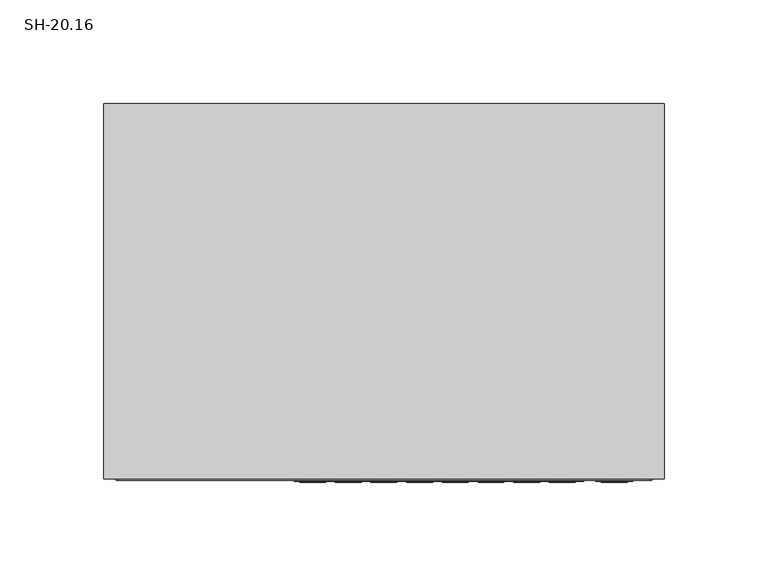
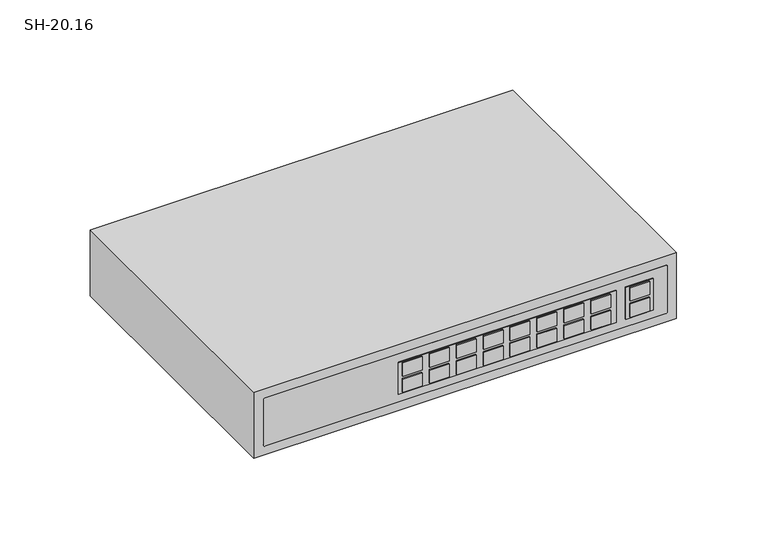
"""IFC4 building model written with IfcOpenShell, lengths in millimetres: proxy geometry, SH-20.16."""

from ifc_helpers import new_model, si_unit, point, frame, frame_2d, origin, place, context, project, spatial, polyline, circle_curve, trimmed, segment, composite_curve, outline, extrude, source, transform, mapped, element, save


def sh_20_16_5c3c0c6e(model_context):
    return source(origin(), model_context, "Body", "SweptSolid", [
        extrude(outline(polyline([(135.0, 0.0), (135.0, -181.0), (-135.0, -181.0), (-135.0, 0.0), (135.0, 0.0)])), frame((0.0, 0.0, 1000.0), z_axis=(0.0, 0.0, 1.0), x_axis=(1.0, 0.0, 0.0)), (0.0, 0.0, 1.0), 44.5),
        extrude(outline(polyline([(117.0807773, -182.5), (104.6040851, -182.5), (104.6040851, -181.0), (117.0807773, -181.0), (117.0807773, -182.5)])), frame((0.0, 0.0, 1012.2700087), z_axis=(0.0, 0.0, 1.0), x_axis=(1.0, 0.0, 0.0)), (0.0, 0.0, 1.0), 9.0),
        extrude(outline(polyline([(117.0807773, -182.5), (104.6040851, -182.5), (104.6040851, -181.0), (117.0807773, -181.0), (117.0807773, -182.5)])), frame((0.0, 0.0, 1023.1817061), z_axis=(0.0, 0.0, 1.0), x_axis=(1.0, 0.0, 0.0)), (0.0, 0.0, 1.0), 9.0),
        extrude(outline(polyline([(119.7502735, -182.0), (102.1202527, -182.0), (102.1202527, -181.0), (119.7502735, -181.0), (119.7502735, -182.0)])), frame((0.0, 0.0, 1011.5), z_axis=(0.0, 0.0, 1.0), x_axis=(1.0, 0.0, 0.0)), (0.0, 0.0, 1.0), 21.4517148),
        extrude(outline(polyline([(92.1675041, -182.5), (79.6908119, -182.5), (79.6908119, -181.0), (92.1675041, -181.0), (92.1675041, -182.5)])), frame((0.0, 0.0, 1012.2700087), z_axis=(0.0, 0.0, 1.0), x_axis=(1.0, 0.0, 0.0)), (0.0, 0.0, 1.0), 9.0),
        extrude(outline(polyline([(92.1675041, -182.5), (79.6908119, -182.5), (79.6908119, -181.0), (92.1675041, -181.0), (92.1675041, -182.5)])), frame((0.0, 0.0, 1023.1817061), z_axis=(0.0, 0.0, 1.0), x_axis=(1.0, 0.0, 0.0)), (0.0, 0.0, 1.0), 9.0),
        extrude(outline(polyline([(74.9756027, -182.5), (62.4989104, -182.5), (62.4989104, -181.0), (74.9756027, -181.0), (74.9756027, -182.5)])), frame((0.0, 0.0, 1012.2700087), z_axis=(0.0, 0.0, 1.0), x_axis=(1.0, 0.0, 0.0)), (0.0, 0.0, 1.0), 9.0),
        extrude(outline(polyline([(74.9756027, -182.5), (62.4989104, -182.5), (62.4989104, -181.0), (74.9756027, -181.0), (74.9756027, -182.5)])), frame((0.0, 0.0, 1023.1817061), z_axis=(0.0, 0.0, 1.0), x_axis=(1.0, 0.0, 0.0)), (0.0, 0.0, 1.0), 9.0),
        extrude(outline(polyline([(57.7837012, -182.5), (45.307009, -182.5), (45.307009, -181.0), (57.7837012, -181.0), (57.7837012, -182.5)])), frame((0.0, 0.0, 1012.2700087), z_axis=(0.0, 0.0, 1.0), x_axis=(1.0, 0.0, 0.0)), (0.0, 0.0, 1.0), 9.0),
        extrude(outline(polyline([(57.7837012, -182.5), (45.307009, -182.5), (45.307009, -181.0), (57.7837012, -181.0), (57.7837012, -182.5)])), frame((0.0, 0.0, 1023.1817061), z_axis=(0.0, 0.0, 1.0), x_axis=(1.0, 0.0, 0.0)), (0.0, 0.0, 1.0), 9.0),
        extrude(outline(polyline([(40.5917998, -182.5), (28.1151075, -182.5), (28.1151075, -181.0), (40.5917998, -181.0), (40.5917998, -182.5)])), frame((0.0, 0.0, 1012.2700087), z_axis=(0.0, 0.0, 1.0), x_axis=(1.0, 0.0, 0.0)), (0.0, 0.0, 1.0), 9.0),
        extrude(outline(polyline([(40.5917998, -182.5), (28.1151075, -182.5), (28.1151075, -181.0), (40.5917998, -181.0), (40.5917998, -182.5)])), frame((0.0, 0.0, 1023.1817061), z_axis=(0.0, 0.0, 1.0), x_axis=(1.0, 0.0, 0.0)), (0.0, 0.0, 1.0), 9.0),
        extrude(outline(polyline([(23.3998983, -182.5), (10.9232061, -182.5), (10.9232061, -181.0), (23.3998983, -181.0), (23.3998983, -182.5)])), frame((0.0, 0.0, 1012.2700087), z_axis=(0.0, 0.0, 1.0), x_axis=(1.0, 0.0, 0.0)), (0.0, 0.0, 1.0), 9.0),
        extrude(outline(polyline([(23.3998983, -182.5), (10.9232061, -182.5), (10.9232061, -181.0), (23.3998983, -181.0), (23.3998983, -182.5)])), frame((0.0, 0.0, 1023.1817061), z_axis=(0.0, 0.0, 1.0), x_axis=(1.0, 0.0, 0.0)), (0.0, 0.0, 1.0), 9.0),
        extrude(outline(polyline([(6.2079969, -182.5), (-6.2686954, -182.5), (-6.2686954, -181.0), (6.2079969, -181.0), (6.2079969, -182.5)])), frame((0.0, 0.0, 1012.2700087), z_axis=(0.0, 0.0, 1.0), x_axis=(1.0, 0.0, 0.0)), (0.0, 0.0, 1.0), 9.0),
        extrude(outline(polyline([(6.2079969, -182.5), (-6.2686954, -182.5), (-6.2686954, -181.0), (6.2079969, -181.0), (6.2079969, -182.5)])), frame((0.0, 0.0, 1023.1817061), z_axis=(0.0, 0.0, 1.0), x_axis=(1.0, 0.0, 0.0)), (0.0, 0.0, 1.0), 9.0),
        extrude(outline(polyline([(-10.9839046, -182.5), (-23.4605968, -182.5), (-23.4605968, -181.0), (-10.9839046, -181.0), (-10.9839046, -182.5)])), frame((0.0, 0.0, 1012.2700087), z_axis=(0.0, 0.0, 1.0), x_axis=(1.0, 0.0, 0.0)), (0.0, 0.0, 1.0), 9.0),
        extrude(outline(polyline([(-10.9839046, -182.5), (-23.4605968, -182.5), (-23.4605968, -181.0), (-10.9839046, -181.0), (-10.9839046, -182.5)])), frame((0.0, 0.0, 1023.1817061), z_axis=(0.0, 0.0, 1.0), x_axis=(1.0, 0.0, 0.0)), (0.0, 0.0, 1.0), 9.0),
        extrude(outline(polyline([(-28.175806, -182.5), (-40.6524983, -182.5), (-40.6524983, -181.0), (-28.175806, -181.0), (-28.175806, -182.5)])), frame((0.0, 0.0, 1012.2700087), z_axis=(0.0, 0.0, 1.0), x_axis=(1.0, 0.0, 0.0)), (0.0, 0.0, 1.0), 9.0),
        extrude(outline(polyline([(-28.175806, -182.5), (-40.6524983, -182.5), (-40.6524983, -181.0), (-28.175806, -181.0), (-28.175806, -182.5)])), frame((0.0, 0.0, 1023.1817061), z_axis=(0.0, 0.0, 1.0), x_axis=(1.0, 0.0, 0.0)), (0.0, 0.0, 1.0), 9.0),
        extrude(outline(polyline([(96.1279254, -182.0), (-43.1363307, -182.0), (-43.1363307, -181.0), (96.1279254, -181.0), (96.1279254, -182.0)])), frame((0.0, 0.0, 1011.5), z_axis=(0.0, 0.0, 1.0), x_axis=(1.0, 0.0, 0.0)), (0.0, 0.0, 1.0), 21.4517148),
        extrude(outline(composite_curve([segment(polyline([(1038.5, 128.0), (1038.5, -128.0)]), True, "CONTINUOUS"), segment(trimmed(circle_curve(frame_2d((1037.5, -128.0)), 1.0), [point((1038.5, -128.0))], [point((1037.5, -129.0))], False, "CARTESIAN"), True, "CONTINUOUS"), segment(polyline([(1037.5, -129.0), (1007.0, -129.0)]), True, "CONTINUOUS"), segment(trimmed(circle_curve(frame_2d((1007.0, -128.0)), 1.0), [point((1007.0, -129.0))], [point((1006.0, -128.0))], False, "CARTESIAN"), True, "CONTINUOUS"), segment(polyline([(1006.0, -128.0), (1006.0, 128.0)]), True, "CONTINUOUS"), segment(trimmed(circle_curve(frame_2d((1007.0, 128.0)), 1.0), [point((1006.0, 128.0))], [point((1007.0, 129.0))], False, "CARTESIAN"), True, "CONTINUOUS"), segment(polyline([(1007.0, 129.0), (1037.5, 129.0)]), True, "CONTINUOUS"), segment(trimmed(circle_curve(frame_2d((1037.5, 128.0)), 1.0), [point((1037.5, 129.0))], [point((1038.5, 128.0))], False, "CARTESIAN"), True, "CONTINUOUS")], self_intersect=False)), frame((0.0, -181.5, 0.0), z_axis=(0.0, 1.0, 0.0), x_axis=(0.0, 0.0, 1.0)), (0.0, 0.0, 1.0), 1.0),
    ])


if __name__ == "__main__":
    model = new_model("IFC4")
    model_context = context("Model", 3, world=origin())
    ifc_project = project(units=[si_unit("LENGTHUNIT", "METRE", prefix="MILLI")], contexts=[model_context])
    site = spatial("IfcSite", under=ifc_project)
    building = spatial("IfcBuilding", under=site)
    placement = place(None, origin())
    sh_20_16_shape = sh_20_16_5c3c0c6e(model_context)
    element("IfcBuildingElementProxy", 1, Name="SH-20.16", ObjectType="SH-20.16", at=placement, inside=building, context=model_context, shape_type="MappedRepresentation", body=[
        mapped(sh_20_16_shape, transform((0.0, 0.0, 0.0), x_axis=(1.0, 0.0, 0.0), y_axis=(0.0, 1.0, 0.0), z_axis=(0.0, 0.0, 1.0))),
    ])
    save(model, "model.ifc")
